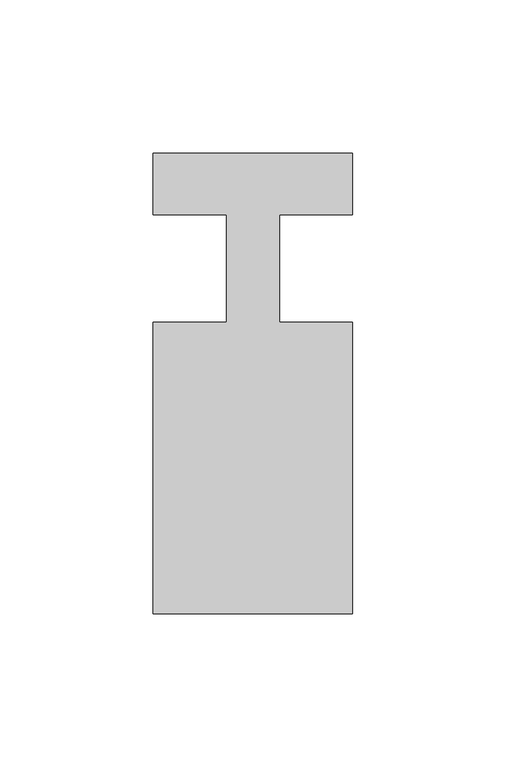
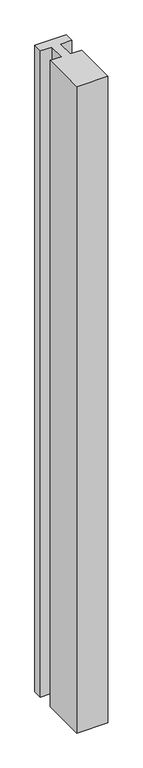
"""IFC4 building model written with IfcOpenShell, lengths in millimetres: member geometry."""

from ifc_helpers import new_model, si_unit, frame, origin, place, context, project, spatial, polyline, outline, extrude, source, transform, mapped, element, save


def member_0ea6fd8f(model_context):
    return source(origin(), model_context, "Body", "SweptSolid", [
        extrude(outline(polyline([(-32.5, 37.0), (32.5, 37.0), (32.5, 17.0), (8.6875, 17.0), (8.6875, -18.0), (32.5, -18.0), (32.5, -113.0), (-32.5, -113.0), (-32.5, -18.0), (-8.6875, -18.0), (-8.6875, 17.0), (-32.5, 17.0), (-32.5, 37.0)])), frame((0.0, 0.0, -1418.7435565), z_axis=(0.0, 0.0, 1.0), x_axis=(1.0, 0.0, 0.0)), (0.0, 0.0, 1.0), 1418.7435565),
    ])


if __name__ == "__main__":
    model = new_model("IFC4")
    model_context = context("Model", 3, world=origin())
    ifc_project = project(units=[si_unit("LENGTHUNIT", "METRE", prefix="MILLI")], contexts=[model_context])
    site = spatial("IfcSite", under=ifc_project)
    building = spatial("IfcBuilding", under=site)
    placement = place(None, origin())
    member_shape = member_0ea6fd8f(model_context)
    element("IfcMember", 1, at=placement, inside=building, context=model_context, shape_type="MappedRepresentation", body=[
        mapped(member_shape, transform((0.0, 0.0, 0.0), x_axis=(1.0, 0.0, 0.0), y_axis=(0.0, 1.0, 0.0), z_axis=(0.0, 0.0, 1.0))),
    ])
    save(model, "model.ifc")
